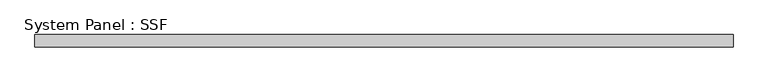
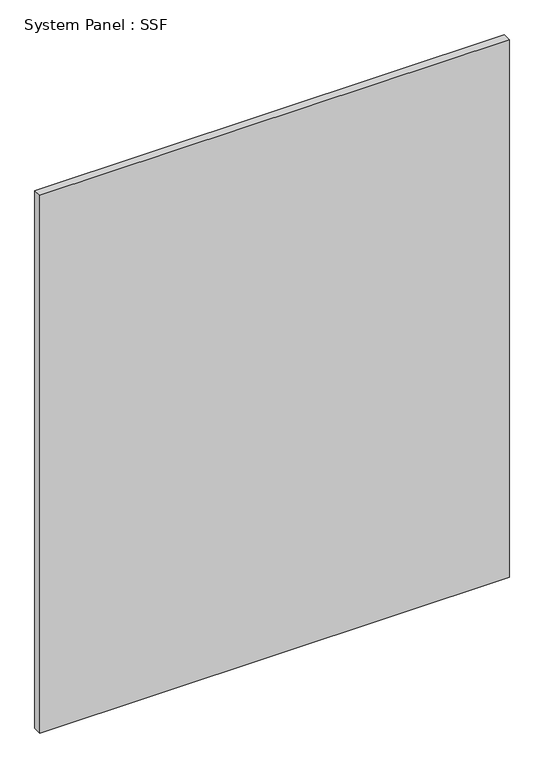
"""IFC4 building model written with IfcOpenShell, lengths in millimetres: plate geometry, System Panel : SSF."""

from ifc_helpers import new_model, si_unit, origin, origin_with_axes, place, context, project, spatial, polyline, outline, extrude, source, transform, mapped, element, save


def system_panel_ssf_5d918674(model_context):
    return source(origin(), model_context, "Body", "SweptSolid", [
        extrude(outline(polyline([(721.51875, -43.65625), (-721.51875, -43.65625), (-721.51875, -18.25625), (721.51875, -18.25625), (721.51875, -43.65625)])), origin_with_axes(), (0.0, 0.0, 1.0), 1746.25),
    ])


if __name__ == "__main__":
    model = new_model("IFC4")
    model_context = context("Model", 3, world=origin())
    ifc_project = project(units=[si_unit("LENGTHUNIT", "METRE", prefix="MILLI")], contexts=[model_context])
    site = spatial("IfcSite", under=ifc_project)
    building = spatial("IfcBuilding", under=site)
    placement = place(None, origin())
    system_panel_ssf_shape = system_panel_ssf_5d918674(model_context)
    element("IfcPlate", 1, ObjectType="System Panel : SSF", at=placement, inside=building, context=model_context, shape_type="MappedRepresentation", body=[
        mapped(system_panel_ssf_shape, transform((0.0, 0.0, 0.0), x_axis=(1.0, 0.0, 0.0), y_axis=(0.0, 1.0, 0.0), z_axis=(0.0, 0.0, 1.0))),
    ])
    save(model, "model.ifc")
